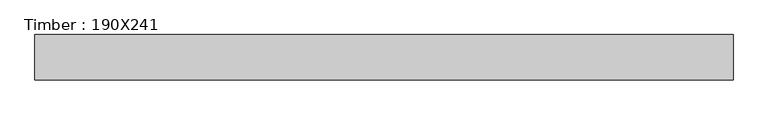
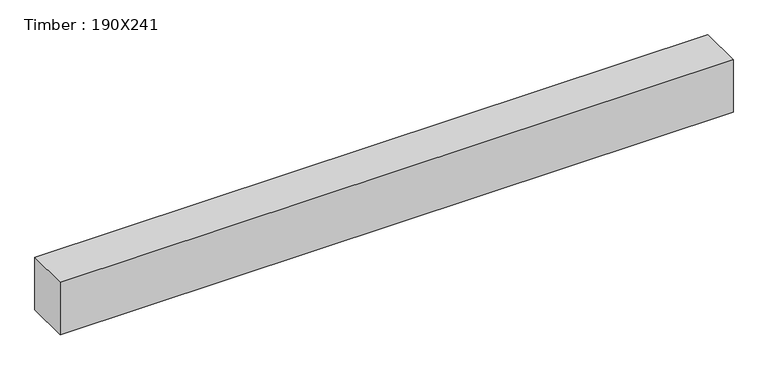
"""IFC4 building model written with IfcOpenShell, lengths in millimetres: beam geometry, Timber : 190X241."""

from ifc_helpers import new_model, si_unit, frame, origin, place, context, project, spatial, polyline, outline, extrude, source, transform, mapped, element, save


def timber_190x241_eefd8c38(model_context):
    return source(origin(), model_context, "Body", "SweptSolid", [
        extrude(outline(polyline([(1401.0, 95.0), (1401.0, -95.0), (-1522.0, -95.0), (-1522.0, 95.0), (1401.0, 95.0)])), frame((0.0, 0.0, -120.5), z_axis=(0.0, 0.0, 1.0), x_axis=(1.0, 0.0, 0.0)), (0.0, 0.0, 1.0), 241.0),
    ])


if __name__ == "__main__":
    model = new_model("IFC4")
    model_context = context("Model", 3, world=origin())
    ifc_project = project(units=[si_unit("LENGTHUNIT", "METRE", prefix="MILLI")], contexts=[model_context])
    site = spatial("IfcSite", under=ifc_project)
    building = spatial("IfcBuilding", under=site)
    placement = place(None, origin())
    timber_190x241_shape = timber_190x241_eefd8c38(model_context)
    element("IfcBeam", 1, ObjectType="Timber : 190X241", at=placement, inside=building, context=model_context, shape_type="MappedRepresentation", body=[
        mapped(timber_190x241_shape, transform((0.0, 0.0, 0.0), x_axis=(1.0, 0.0, 0.0), y_axis=(0.0, 1.0, 0.0), z_axis=(0.0, 0.0, 1.0))),
    ])
    save(model, "model.ifc")
